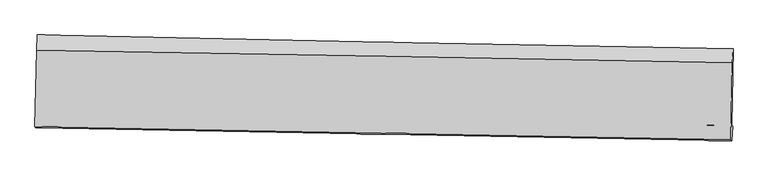
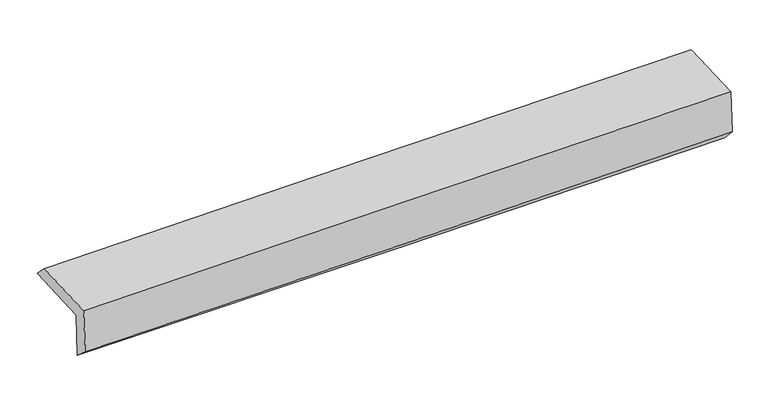
"""IFC4 building model written with IfcOpenShell, lengths in millimetres: proxy geometry."""

from ifc_helpers import new_model, si_unit, frame, origin, place, context, project, spatial, source, transform, mapped, element, save
from ifc_brep_helpers import plane_surface, spline_curve, spline_surface, advanced_brep


def generic_models_8dbb05b2(model_context):
    return source(origin(), model_context, "Body", "AdvancedBrep", [
        advanced_brep(
        [(-3031.971962, -1751.6368488, 1969.4601169), (-3017.1939299, -1081.8593893, 1978.3912164), (3020.9597351, -1203.2748873, 2101.9060534), (3007.4685246, -1867.0211933, 2107.8642717), (-3022.726969, -1746.4422393, 1564.5989727), (3016.6053794, -1873.8852056, 1697.0448043), (-3028.5953566, -1887.1193027, 1685.3270546), (3011.0518132, -1999.2546113, 1831.2859961), (-3037.571539, -1877.5763524, 2092.8842862), (3002.1687956, -1992.1271401, 2231.0970041), (-3022.9064399, -1212.9173006, 2101.7471346), (3015.3861133, -1325.3703558, 2239.9537076)],
        [
            (0, 1),
            (1, 2, spline_curve(3, [(-3017.1939299, -1081.8593893, 1978.3912164), (-2010.857503842, -1104.235838097, 1991.671228795), (-1004.568003779, -1125.540974614, 2008.602525153), (1008.149906171, -1166.013303049, 2049.772448185), (2014.578294723, -1185.179999206, 2074.012763931), (3020.9597351, -1203.2748873, 2101.9060534)], [4, 2, 4], [0.0, 9.90938842427926, 19.82106907607652])),
            (2, 3),
            (3, 0, spline_curve(3, [(3007.4685246, -1867.0211933, 2107.8642717), (2001.058522724, -1847.784724413, 2072.593417337), (994.508595293, -1828.550016297, 2043.4236821), (-1018.638298091, -1790.088569016, 1997.29178567), (-2025.235199623, -1770.861828999, 1980.326802454), (-3031.971962, -1751.6368488, 1969.4601169)], [4, 2, 4], [0.0, 9.911680651797258, 19.82106907607652])),
            (4, 0),
            (3, 5),
            (5, 4, spline_curve(3, [(3016.6053794, -1873.8852056, 1697.0448043), (2010.224286424, -1848.633331861, 1665.855143764), (1003.69782549, -1825.386151227, 1639.222411542), (-1009.413024656, -1782.906089823, 1595.075908425), (-2015.997346459, -1763.672281503, 1577.560030333), (-3022.726969, -1746.4422393, 1564.5989727)], [4, 2, 4], [0.0, 9.912937527361073, 19.82358253653248])),
            (6, 4),
            (5, 7),
            (7, 6, spline_curve(3, [(3011.0518132, -1999.2546113, 1831.2859961), (2004.419783364, -1979.968753425, 1803.932260665), (997.741627034, -1960.980168941, 1778.090916412), (-1015.474117269, -1923.60187031, 1729.438635031), (-2022.01168461, -1905.212018383, 1706.626999114), (-3028.5953566, -1887.1193027, 1685.3270546)], [4, 2, 4], [0.0, 9.913085803921547, 19.82387905536221])),
            (8, 6),
            (7, 9),
            (9, 8, spline_curve(3, [(3002.1687956, -1992.1271401, 2231.0970041), (1995.341180143, -1972.963692561, 2212.455146044), (988.557477056, -1953.834970139, 2191.614904107), (-1024.689280705, -1915.65139024, 2145.542981527), (-2031.152355902, -1896.596517009, 2120.312317369), (-3037.571539, -1877.5763524, 2092.8842862)], [4, 2, 4], [0.0, 9.913266354071245, 19.824240113906626])),
            (10, 8),
            (9, 11),
            (11, 10, spline_curve(3, [(3015.3861133, -1325.3703558, 2239.9537076), (2008.787391631, -1305.866877198, 2221.321439135), (1002.238798329, -1286.743010438, 2200.486503723), (-1010.525362989, -1249.258834058, 2154.416627274), (-2016.740953942, -1230.898349362, 2129.182705062), (-3022.9064399, -1212.9173006, 2101.7471346)], [4, 2, 4], [0.0, 9.912035919751222, 19.821779529823306])),
            (1, 10),
            (11, 2),
        ],
        [
            spline_surface(3, 3, [[(-3031.971962, -1751.6368488, 1969.4601169), (-2025.235199673, -1770.861829056, 1980.326802397), (-1018.638298185, -1790.08856898, 1997.291785575), (994.508595387, -1828.550016333, 2043.423682195), (2001.05852278, -1847.784724574, 2072.593417323), (3007.4685246, -1867.0211933, 2107.8642717)], [(-3027.045951314, -1528.377695639, 1972.437150036), (-2020.442634374, -1548.653165449, 1984.108277798), (-1013.948200074, -1568.572704188, 2001.062032119), (999.055698987, -1607.704445212, 2045.539937506), (2005.565113389, -1626.916482808, 2073.066532854), (3011.965594752, -1645.77242465, 2105.878198927)], [(-3022.119940586, -1305.118542461, 1975.414183264), (-2015.650069034, -1326.444501824, 1987.88975329), (-1009.258101934, -1347.056839441, 2004.832278664), (1003.602802616, -1386.858874136, 2047.656192818), (2010.071704042, -1406.048240991, 2073.539648404), (3016.462664948, -1424.52365595, 2103.892126173)], [(-3017.1939299, -1081.8593893, 1978.3912164), (-2010.857503735, -1104.235838217, 1991.671228691), (-1004.568003823, -1125.540974649, 2008.602525207), (1008.149906215, -1166.013303014, 2049.77244813), (2014.578294651, -1185.179999225, 2074.012763935), (3020.9597351, -1203.2748873, 2101.9060534)]], [4, 4], [4, 2, 4], [0.0, 2.1776420465849085], [0.0, 9.90938842427926, 19.82106907607652]),
            spline_surface(3, 3, [[(-3022.726969, -1746.4422393, 1564.5989727), (-2015.997346329, -1763.672281403, 1577.560030232), (-1009.413024596, -1782.906089704, 1595.075908451), (1003.69782543, -1825.386151345, 1639.222411516), (2010.224286504, -1848.633331812, 1665.855143819), (3016.6053794, -1873.8852056, 1697.0448043)], [(-3025.808633316, -1748.173775785, 1699.552687456), (-2019.076630759, -1766.068797272, 1711.815620977), (-1012.488115802, -1785.30024947, 1729.147867519), (1000.63474874, -1826.440773015, 1773.956168435), (2007.169031944, -1848.350462719, 1801.434568318), (3013.559761148, -1871.597201486, 1833.984626764)], [(-3028.890297684, -1749.905312315, 1834.506402144), (-2022.155915243, -1768.465313187, 1846.071211653), (-1015.563206979, -1787.694409214, 1863.219826507), (997.571672078, -1827.495394663, 1908.689925275), (2004.11377734, -1848.067593667, 1937.013992824), (3010.514142852, -1869.309197414, 1970.924449236)], [(-3031.971962, -1751.6368488, 1969.4601169), (-2025.235199673, -1770.861829056, 1980.326802397), (-1018.638298185, -1790.08856898, 1997.291785575), (994.508595387, -1828.550016333, 2043.423682195), (2001.05852278, -1847.784724574, 2072.593417323), (3007.4685246, -1867.0211933, 2107.8642717)]], [4, 4], [4, 2, 4], [0.0, 1.3233172025988895], [0.0, 9.910645009171407, 19.82358253653248]),
            spline_surface(3, 3, [[(-3028.5953566, -1887.1193027, 1685.3270546), (-2022.011684524, -1905.212018399, 1706.626999248), (-1015.474117407, -1923.601870254, 1729.438635189), (997.741627171, -1960.980168997, 1778.090916253), (2004.419783363, -1979.968753293, 1803.932260792), (3011.0518132, -1999.2546113, 1831.2859961)], [(-3026.639227423, -1840.226948246, 1645.084360624), (-2020.006905149, -1858.032106079, 1663.604676233), (-1013.453753134, -1876.703276743, 1684.651059578), (999.727026594, -1915.782163119, 1731.801414642), (2006.354617738, -1936.190279453, 1757.90655512), (3012.903001929, -1957.464809387, 1786.538932153)], [(-3024.683098177, -1793.334593754, 1604.841666676), (-2018.002125705, -1810.852193723, 1620.582353247), (-1011.433388869, -1829.804683215, 1639.863484063), (1001.712426008, -1870.584157223, 1685.511913127), (2008.289452128, -1892.411805651, 1711.88084949), (3014.754190671, -1915.675007513, 1741.791868247)], [(-3022.726969, -1746.4422393, 1564.5989727), (-2015.997346329, -1763.672281403, 1577.560030232), (-1009.413024596, -1782.906089704, 1595.075908451), (1003.69782543, -1825.386151345, 1639.222411516), (2010.224286504, -1848.633331812, 1665.855143819), (3016.6053794, -1873.8852056, 1697.0448043)]], [4, 4], [4, 2, 4], [0.0, 0.6377325131036252], [0.0, 9.910793251440662, 19.82387905536221]),
            spline_surface(3, 3, [[(-3037.571539, -1877.5763524, 2092.8842862), (-2031.152355859, -1896.596516952, 2120.312317256), (-1024.68928077, -1915.651390262, 2145.542981483), (988.557477121, -1953.834970117, 2191.614904151), (1995.341180234, -1972.963692679, 2212.455145892), (3002.1687956, -1992.1271401, 2231.0970041)], [(-3034.579478193, -1880.757335823, 1957.031875653), (-2028.105465406, -1899.468350757, 1982.41721124), (-1021.617559639, -1918.30155026, 2006.841532732), (991.618860481, -1956.216703077, 2053.773574865), (1998.367381265, -1975.298712883, 2076.280850856), (3005.129801454, -1994.502963833, 2097.826668098)], [(-3031.587417407, -1883.938319277, 1821.179465147), (-2025.058574976, -1902.340184594, 1844.522105264), (-1018.545838537, -1920.951710256, 1868.140083941), (994.680243811, -1958.598436036, 1915.932245539), (2001.393582333, -1977.633733088, 1940.106555828), (3008.090807346, -1996.878787567, 1964.556332102)], [(-3028.5953566, -1887.1193027, 1685.3270546), (-2022.011684524, -1905.212018399, 1706.626999248), (-1015.474117407, -1923.601870254, 1729.438635189), (997.741627171, -1960.980168997, 1778.090916253), (2004.419783363, -1979.968753293, 1803.932260792), (3011.0518132, -1999.2546113, 1831.2859961)]], [4, 4], [4, 2, 4], [0.0, 1.3614977522373448], [0.0, 9.91097375983538, 19.824240113906626]),
            spline_surface(3, 3, [[(-3022.9064399, -1212.9173006, 2101.7471346), (-2016.740954083, -1230.898349395, 2129.182704958), (-1010.525362942, -1249.258834169, 2154.416627323), (1002.238798282, -1286.743010327, 2200.486503674), (2008.787391527, -1305.866877313, 2221.321438972), (3015.3861133, -1325.3703558, 2239.9537076)], [(-3027.794806245, -1434.47031786, 2098.792851811), (-2021.544754653, -1452.797738574, 2126.225909068), (-1015.246668887, -1471.389686208, 2151.458745389), (997.678357893, -1509.106996932, 2197.529303846), (2004.305321109, -1528.232482456, 2218.366007953), (3010.980340747, -1547.622617254, 2237.001473107)], [(-3032.683172655, -1656.02333514, 2095.838568989), (-2026.348555288, -1674.697127773, 2123.269113146), (-1019.967974824, -1693.520538222, 2148.500863417), (993.11791751, -1731.470983511, 2194.572103979), (1999.823250652, -1750.598087536, 2215.410576911), (3006.574568153, -1769.874878646, 2234.049238593)], [(-3037.571539, -1877.5763524, 2092.8842862), (-2031.152355859, -1896.596516952, 2120.312317256), (-1024.68928077, -1915.651390262, 2145.542981483), (988.557477121, -1953.834970117, 2191.614904151), (1995.341180234, -1972.963692679, 2212.455145892), (3002.1687956, -1992.1271401, 2231.0970041)]], [4, 4], [4, 2, 4], [0.0, 2.188145358336869], [0.0, 9.909743610072084, 19.821779529823306]),
            spline_surface(3, 3, [[(-3017.1939299, -1081.8593893, 1978.3912164), (-2010.857503735, -1104.235838217, 1991.671228691), (-1004.568003823, -1125.540974649, 2008.602525207), (1008.149906215, -1166.013303014, 2049.77244813), (2014.578294651, -1185.179999225, 2074.012763935), (3020.9597351, -1203.2748873, 2101.9060534)], [(-3019.09809991, -1125.545359748, 2019.509855821), (-2012.818653861, -1146.456675291, 2037.508387467), (-1006.553790187, -1166.780261149, 2057.207225892), (1006.179536913, -1206.256538778, 2100.010466624), (2012.647993614, -1225.408958577, 2123.115655632), (3019.101861171, -1243.973376789, 2147.921938151)], [(-3021.00226989, -1169.231330152, 2060.628495179), (-2014.779803957, -1188.677512321, 2083.345546182), (-1008.539576578, -1208.019547669, 2105.811926638), (1004.209167584, -1246.499774563, 2150.24848518), (2010.717692564, -1265.637917962, 2172.218547276), (3017.243987229, -1284.671866311, 2193.937822849)], [(-3022.9064399, -1212.9173006, 2101.7471346), (-2016.740954083, -1230.898349395, 2129.182704958), (-1010.525362942, -1249.258834169, 2154.416627323), (1002.238798282, -1286.743010327, 2200.486503674), (2008.787391527, -1305.866877313, 2221.321438972), (3015.3861133, -1325.3703558, 2239.9537076)]], [4, 4], [4, 2, 4], [0.0, 0.6307084160636327], [0.0, 9.908261991636815, 19.818815950226615]),
            plane_surface(frame((3012.2733935, -1710.1555656, 2034.8586395), z_axis=(0.9995429866044426, -0.020113993502763255, 0.02256646173510572), x_axis=(0.02220903258694777, -0.017819872474692456, -0.9995945233025928))),
            plane_surface(frame((-3026.8276994, -1592.9252388, 1898.7347969), z_axis=(-0.9994960833785503, 0.022353487819705344, -0.022536656656042972), x_axis=(-0.022056764264999414, -0.9996678499750464, -0.01332999911576474))),
        ],
        [
            (0, [[1, 2, 3, 4]]),
            (1, [[5, -4, 6, 7]]),
            (2, [[8, -7, 9, 10]]),
            (3, [[11, -10, 12, 13]]),
            (4, [[14, -13, 15, 16]]),
            (5, [[17, -16, 18, -2]]),
            (6, [[-12, -9, -6, -3, -18, -15]]),
            (7, [[-1, -5, -8, -11, -14, -17]]),
        ],
    ),
    ])


if __name__ == "__main__":
    model = new_model("IFC4")
    model_context = context("Model", 3, world=origin())
    ifc_project = project(units=[si_unit("LENGTHUNIT", "METRE", prefix="MILLI")], contexts=[model_context])
    site = spatial("IfcSite", under=ifc_project)
    building = spatial("IfcBuilding", under=site)
    placement = place(None, origin())
    generic_models_shape = generic_models_8dbb05b2(model_context)
    element("IfcBuildingElementProxy", 1, Name="Generic Models", at=placement, inside=building, context=model_context, shape_type="MappedRepresentation", body=[
        mapped(generic_models_shape, transform((0.0, 0.0, 0.0), x_axis=(1.0, 0.0, 0.0), y_axis=(0.0, 1.0, 0.0), z_axis=(0.0, 0.0, 1.0))),
    ])
    save(model, "model.ifc")
